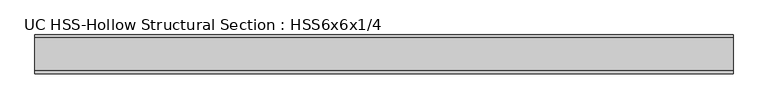
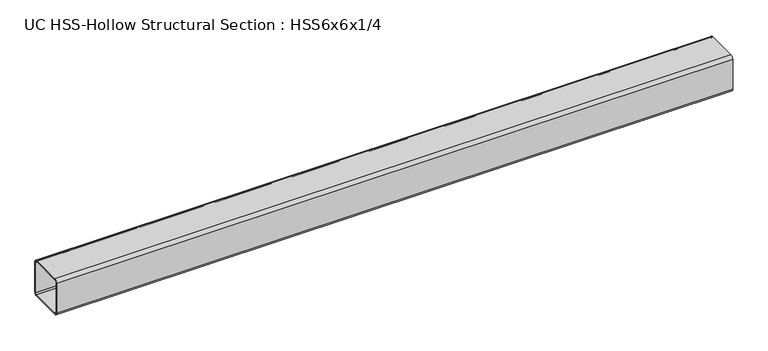
"""IFC4 building model written with IfcOpenShell, lengths in millimetres: beam geometry, UC HSS-Hollow Structural Section : HSS6x6x1/4."""

import ifcopenshell
import ifcopenshell.guid

model = None  # the IFC model being written
_history = None  # IfcOwnerHistory: only IFC2X3 demands one
_inside = {}  # id of a spatial element -> (the spatial element, [elements in it])
_under = {}  # id of a project, library or spatial element -> (it, [spatial elements below it])
_declared = {}  # id of a project -> (the project, [libraries it declares])
_typed = {}  # id of a type object -> (the type object, [elements of that type])
_made_of = {}  # id of a material, layer set ... -> (it, [elements and type objects made of it])


def new_model(schema):
    """Start an empty IFC model of exactly this schema.

    Asked for "IFC4X3", IfcOpenShell would pick the latest addendum, in which some entities
    have other attributes; the version numbers below select the first issue.
    IFC2X3 requires an IfcOwnerHistory on every rooted entity: one is made here for all.
    """
    global model, _history
    if schema == "IFC4X3":
        model = ifcopenshell.file(schema_version=(4, 3, 0, 0))
    else:
        model = ifcopenshell.file(schema=schema)
    _inside.clear()
    _under.clear()
    _declared.clear()
    _typed.clear()
    _made_of.clear()
    _history = None
    if model.schema == "IFC2X3":
        org = make("IfcOrganization", Name="unknown")
        user = make(
            "IfcPersonAndOrganization",
            ThePerson=make("IfcPerson", FamilyName="unknown"),
            TheOrganization=org,
        )
        app = make(
            "IfcApplication",
            ApplicationDeveloper=org,
            Version="unknown",
            ApplicationFullName="unknown",
            ApplicationIdentifier="unknown",
        )
        _history = make(
            "IfcOwnerHistory",
            OwningUser=user,
            OwningApplication=app,
            ChangeAction="ADDED",
            CreationDate=0,
        )
    return model


def make(cls, **values):
    """One entity of the class cls with the attributes given. An attribute that is None is left unset."""
    return model.create_entity(
        cls, **{name: value for name, value in values.items() if value is not None}
    )


def rooted(cls, **values):
    """An entity with a GlobalId (a new one), such as an element, a storey or a relation."""
    return make(cls, GlobalId=ifcopenshell.guid.new(), OwnerHistory=_history, **values)


def si_unit(unit_type, name, prefix=None):
    """IfcSIUnit, for example si_unit("LENGTHUNIT", "METRE", prefix="MILLI")."""
    return make("IfcSIUnit", UnitType=unit_type, Prefix=prefix, Name=name)


def assignment(units):
    """IfcUnitAssignment: the units of a project."""
    return None if units is None else make("IfcUnitAssignment", Units=units)


def point(xyz):
    """IfcCartesianPoint."""
    return None if xyz is None else make("IfcCartesianPoint", Coordinates=xyz)


def direction(xyz):
    """IfcDirection."""
    return None if xyz is None else make("IfcDirection", DirectionRatios=xyz)


def frame(location, z_axis=None, x_axis=None):
    """IfcAxis2Placement3D, a coordinate frame: its origin and axes. An axis left out is left unset."""
    return make(
        "IfcAxis2Placement3D",
        Location=point(location),
        Axis=direction(z_axis),
        RefDirection=direction(x_axis),
    )


def frame_2d(location, x_axis=None):
    """IfcAxis2Placement2D, a coordinate frame in the plane: its origin and x axis."""
    return make(
        "IfcAxis2Placement2D", Location=point(location), RefDirection=direction(x_axis)
    )


def origin():
    """The frame at (0, 0, 0) with its axes left unset."""
    return frame((0.0, 0.0, 0.0))


def place(relative_to, where):
    """IfcLocalPlacement: puts the frame where relative to a parent placement (None: the world)."""
    return make(
        "IfcLocalPlacement", PlacementRelTo=relative_to, RelativePlacement=where
    )


def context(
    kind, dimensions, precision=None, world=None, true_north=None, identifier=None
):
    """IfcGeometricRepresentationContext, for example the 3D "Model" context."""
    return make(
        "IfcGeometricRepresentationContext",
        ContextIdentifier=identifier,
        ContextType=kind,
        CoordinateSpaceDimension=dimensions,
        Precision=precision,
        WorldCoordinateSystem=world,
        TrueNorth=true_north,
    )


def project(units=None, contexts=None):
    """IfcProject with its units and contexts."""
    return rooted(
        "IfcProject",
        Name="project",
        RepresentationContexts=contexts,
        UnitsInContext=assignment(units),
    )


def spatial(cls, under=None, at=None, **own):
    """A site, building, storey or space (cls), placed at a placement, below another one or the project."""
    s = rooted(cls, ObjectPlacement=at, **own)
    if under is not None:
        _under.setdefault(under.id(), (under, []))[1].append(s)
    return s


def polyline(points):
    """IfcPolyline through the points."""
    return make("IfcPolyline", Points=[point(p) for p in points])


def circle_curve(where, radius):
    """IfcCircle in the frame where."""
    return make("IfcCircle", Position=where, Radius=radius)


def trimmed(basis, trim1, trim2, sense, master):
    """IfcTrimmedCurve: the piece of a basis curve between two trims."""
    return make(
        "IfcTrimmedCurve",
        BasisCurve=basis,
        Trim1=trim1,
        Trim2=trim2,
        SenseAgreement=sense,
        MasterRepresentation=master,
    )


def segment(curve, same_sense, transition):
    """IfcCompositeCurveSegment."""
    return make(
        "IfcCompositeCurveSegment",
        Transition=transition,
        SameSense=same_sense,
        ParentCurve=curve,
    )


def composite_curve(segments, self_intersect=None):
    """IfcCompositeCurve: segments joined end to end."""
    return make("IfcCompositeCurve", Segments=segments, SelfIntersect=self_intersect)


def outline(outer, holes=None, kind="AREA"):
    """IfcArbitraryClosedProfileDef: a profile drawn as a closed curve; with holes, ...WithVoids."""
    if holes is None:
        return make("IfcArbitraryClosedProfileDef", ProfileType=kind, OuterCurve=outer)
    return make(
        "IfcArbitraryProfileDefWithVoids",
        ProfileType=kind,
        OuterCurve=outer,
        InnerCurves=holes,
    )


def extrude(swept, where, along, depth):
    """IfcExtrudedAreaSolid: the profile swept, set in the frame where, extruded along a direction by depth."""
    return make(
        "IfcExtrudedAreaSolid",
        SweptArea=swept,
        Position=where,
        ExtrudedDirection=direction(along),
        Depth=depth,
    )


def shape(context_of_items, identifier, shape_type, items):
    """IfcShapeRepresentation: the items that make up one representation, for example the "Body"."""
    return make(
        "IfcShapeRepresentation",
        ContextOfItems=context_of_items,
        RepresentationIdentifier=identifier,
        RepresentationType=shape_type,
        Items=items,
    )


def source(mapping_origin, context_of_items, identifier, shape_type, items):
    """IfcRepresentationMap: a shape defined once, which mapped items show again and again."""
    return make(
        "IfcRepresentationMap",
        MappingOrigin=mapping_origin,
        MappedRepresentation=shape(context_of_items, identifier, shape_type, items),
    )


def transform(
    local_origin,
    x_axis=None,
    y_axis=None,
    z_axis=None,
    scale=None,
    scale2=None,
    scale3=None,
    uniform=True,
):
    """IfcCartesianTransformationOperator3D, or its non-uniform kind. x_axis, y_axis, z_axis: its Axis1, 2, 3."""
    if uniform:
        return make(
            "IfcCartesianTransformationOperator3D",
            Axis1=direction(x_axis),
            Axis2=direction(y_axis),
            LocalOrigin=point(local_origin),
            Scale=scale,
            Axis3=direction(z_axis),
        )
    return make(
        "IfcCartesianTransformationOperator3DnonUniform",
        Axis1=direction(x_axis),
        Axis2=direction(y_axis),
        LocalOrigin=point(local_origin),
        Scale=scale,
        Axis3=direction(z_axis),
        Scale2=scale2,
        Scale3=scale3,
    )


def mapped(mapping_source, mapping_target):
    """IfcMappedItem: shows the shape of a source again, moved by a transform."""
    return make(
        "IfcMappedItem", MappingSource=mapping_source, MappingTarget=mapping_target
    )


def made_of(thing, what):
    """Note that an element or type object is made of a material, layer set ...; save() writes the relation."""
    if what is not None:
        _made_of.setdefault(what.id(), (what, []))[1].append(thing)
    return thing


def element(
    cls,
    number,
    at=None,
    inside=None,
    cuts=None,
    type_object=None,
    material=None,
    context=None,
    identifier="Body",
    shape_type=None,
    held_by="IfcProductDefinitionShape",
    body=None,
    shapes=None,
    **own,
):
    """One element of the class cls, such as IfcWall. Its Tag is "e" and its number.

    at: its placement. inside: the storey or other place that contains it. cuts: it is an
    opening in that element (IfcRelVoidsElement). A single representation is given by context,
    identifier, shape_type and body (its items); several are given by shapes. held_by: the class
    of the entity that holds the representations. save() writes the other relations.
    """
    e = rooted(cls, Tag="e%d" % number, ObjectPlacement=at, **own)
    if body is not None:
        shapes = [shape(context, identifier, shape_type, body)]
    if shapes is not None:
        e.Representation = make(held_by, Representations=shapes)
    if inside is not None:
        _inside.setdefault(inside.id(), (inside, []))[1].append(e)
    if cuts is not None:
        rooted(
            "IfcRelVoidsElement", RelatingBuildingElement=cuts, RelatedOpeningElement=e
        )
    if type_object is not None:
        _typed.setdefault(type_object.id(), (type_object, []))[1].append(e)
    return made_of(e, material)


def aggregate(whole, parts):
    """IfcRelAggregates: a whole, such as a stair, and the parts it consists of."""
    return rooted("IfcRelAggregates", RelatingObject=whole, RelatedObjects=parts)


def save(model, path):
    """Write the relations noted so far, then the file.

    IfcRelAggregates (storeys below a building ...), IfcRelContainedInSpatialStructure (elements
    in a storey), IfcRelDefinesByType, IfcRelAssociatesMaterial and IfcRelDeclares: one each for
    every whole, place, type object, material and project.
    """
    for whole, parts in _under.values():
        aggregate(whole, parts)
    for where, things in _inside.values():
        rooted(
            "IfcRelContainedInSpatialStructure",
            RelatedElements=things,
            RelatingStructure=where,
        )
    for kind, things in _typed.values():
        rooted("IfcRelDefinesByType", RelatedObjects=things, RelatingType=kind)
    for what, things in _made_of.values():
        rooted("IfcRelAssociatesMaterial", RelatedObjects=things, RelatingMaterial=what)
    for by, libraries in _declared.values():
        rooted("IfcRelDeclares", RelatingContext=by, RelatedDefinitions=libraries)
    model.write(path)


def uc_hss_hollow_structural_section_hss6x6x1_4_6c356118(model_context):
    return source(origin(), model_context, "Body", "SweptSolid", [
        extrude(outline(composite_curve([segment(trimmed(circle_curve(frame_2d((-64.3636, 64.3636)), 11.8364), [point((-76.2, 64.3636))], [point((-64.3636, 76.2))], False, "CARTESIAN"), True, "CONTINUOUS"), segment(polyline([(-64.3636, 76.2), (64.3636, 76.2)]), True, "CONTINUOUS"), segment(trimmed(circle_curve(frame_2d((64.3636, 64.3636)), 11.8364), [point((64.3636, 76.2))], [point((76.2, 64.3636))], False, "CARTESIAN"), True, "CONTINUOUS"), segment(polyline([(76.2, 64.3636), (76.2, -64.3636)]), True, "CONTINUOUS"), segment(trimmed(circle_curve(frame_2d((64.3636, -64.3636)), 11.8364), [point((76.2, -64.3636))], [point((64.3636, -76.2))], False, "CARTESIAN"), True, "CONTINUOUS"), segment(polyline([(64.3636, -76.2), (-64.3636, -76.2)]), True, "CONTINUOUS"), segment(trimmed(circle_curve(frame_2d((-64.3636, -64.3636)), 11.8364), [point((-64.3636, -76.2))], [point((-76.2, -64.3636))], False, "CARTESIAN"), True, "CONTINUOUS"), segment(polyline([(-76.2, -64.3636), (-76.2, 64.3636)]), True, "CONTINUOUS")], self_intersect=False), holes=[composite_curve([segment(polyline([(64.3636, 70.2818), (-64.3636, 70.2818)]), True, "CONTINUOUS"), segment(trimmed(circle_curve(frame_2d((-64.3636, 64.3636)), 5.9182), [point((-64.3636, 70.2818))], [point((-70.2818, 64.3636))], True, "CARTESIAN"), True, "CONTINUOUS"), segment(polyline([(-70.2818, 64.3636), (-70.2818, -64.3636)]), True, "CONTINUOUS"), segment(trimmed(circle_curve(frame_2d((-64.3636, -64.3636)), 5.9182), [point((-70.2818, -64.3636))], [point((-64.3636, -70.2818))], True, "CARTESIAN"), True, "CONTINUOUS"), segment(polyline([(-64.3636, -70.2818), (64.3636, -70.2818)]), True, "CONTINUOUS"), segment(trimmed(circle_curve(frame_2d((64.3636, -64.3636)), 5.9182), [point((64.3636, -70.2818))], [point((70.2818, -64.3636))], True, "CARTESIAN"), True, "CONTINUOUS"), segment(polyline([(70.2818, -64.3636), (70.2818, 64.3636)]), True, "CONTINUOUS"), segment(trimmed(circle_curve(frame_2d((64.3636, 64.3636)), 5.9182), [point((70.2818, 64.3636))], [point((64.3636, 70.2818))], True, "CARTESIAN"), True, "CONTINUOUS")], self_intersect=False)]), frame((-1366.5913391, 0.0, 0.0), z_axis=(1.0, 0.0, 0.0), x_axis=(0.0, 1.0, 0.0)), (0.0, 0.0, 1.0), 2748.0311257),
    ])


if __name__ == "__main__":
    model = new_model("IFC4")
    model_context = context("Model", 3, world=origin())
    ifc_project = project(units=[si_unit("LENGTHUNIT", "METRE", prefix="MILLI")], contexts=[model_context])
    site = spatial("IfcSite", under=ifc_project)
    building = spatial("IfcBuilding", under=site)
    placement = place(None, origin())
    uc_hss_hollow_structural_section_hss6x6x1_4_shape = uc_hss_hollow_structural_section_hss6x6x1_4_6c356118(model_context)
    element("IfcBeam", 1, ObjectType="UC HSS-Hollow Structural Section : HSS6x6x1/4", at=placement, inside=building, context=model_context, shape_type="MappedRepresentation", body=[
        mapped(uc_hss_hollow_structural_section_hss6x6x1_4_shape, transform((0.0, 0.0, 0.0), x_axis=(1.0, 0.0, 0.0), y_axis=(0.0, 1.0, 0.0), z_axis=(0.0, 0.0, 1.0))),
    ])
    save(model, "model.ifc")
